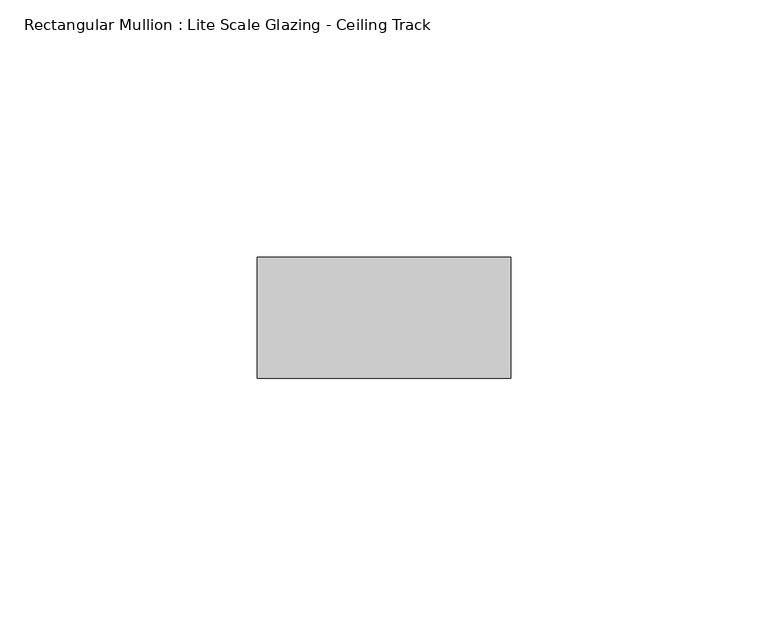
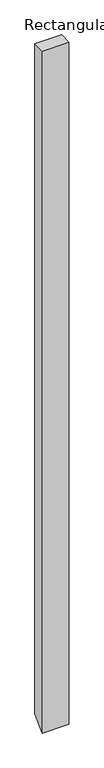
"""IFC4 building model written with IfcOpenShell, lengths in millimetres: member geometry, Rectangular Mullion : Lite Scale Glazing - Ceiling Track."""

from ifc_helpers import new_model, si_unit, frame, origin, place, context, project, spatial, polyline, outline, extrude, source, transform, mapped, element, save


def rectangular_mullion_lite_scale_glazing_ceiling_track_29d40030(model_context):
    return source(origin(), model_context, "Body", "SweptSolid", [
        extrude(outline(polyline([(-11.7474999, 0.0), (11.7474999, 0.0), (11.7474999, -1309.0525001), (-11.7474999, -1332.5474999), (-11.7474999, 0.0)])), frame((-49.276, 0.0, 0.0), z_axis=(1.0, 0.0, 0.0), x_axis=(0.0, 1.0, 0.0)), (0.0, 0.0, 1.0), 49.276),
    ])


if __name__ == "__main__":
    model = new_model("IFC4")
    model_context = context("Model", 3, world=origin())
    ifc_project = project(units=[si_unit("LENGTHUNIT", "METRE", prefix="MILLI")], contexts=[model_context])
    site = spatial("IfcSite", under=ifc_project)
    building = spatial("IfcBuilding", under=site)
    placement = place(None, origin())
    rectangular_mullion_lite_scale_glazing_ceiling_track_shape = rectangular_mullion_lite_scale_glazing_ceiling_track_29d40030(model_context)
    element("IfcMember", 1, ObjectType="Rectangular Mullion : Lite Scale Glazing - Ceiling Track", at=placement, inside=building, context=model_context, shape_type="MappedRepresentation", body=[
        mapped(rectangular_mullion_lite_scale_glazing_ceiling_track_shape, transform((0.0, 0.0, 0.0), x_axis=(1.0, 0.0, 0.0), y_axis=(0.0, 1.0, 0.0), z_axis=(0.0, 0.0, 1.0))),
    ])
    save(model, "model.ifc")
